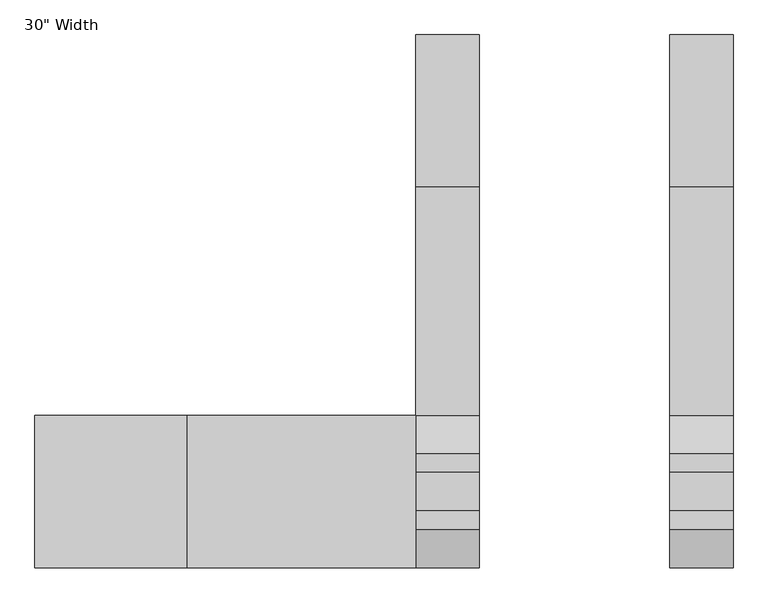
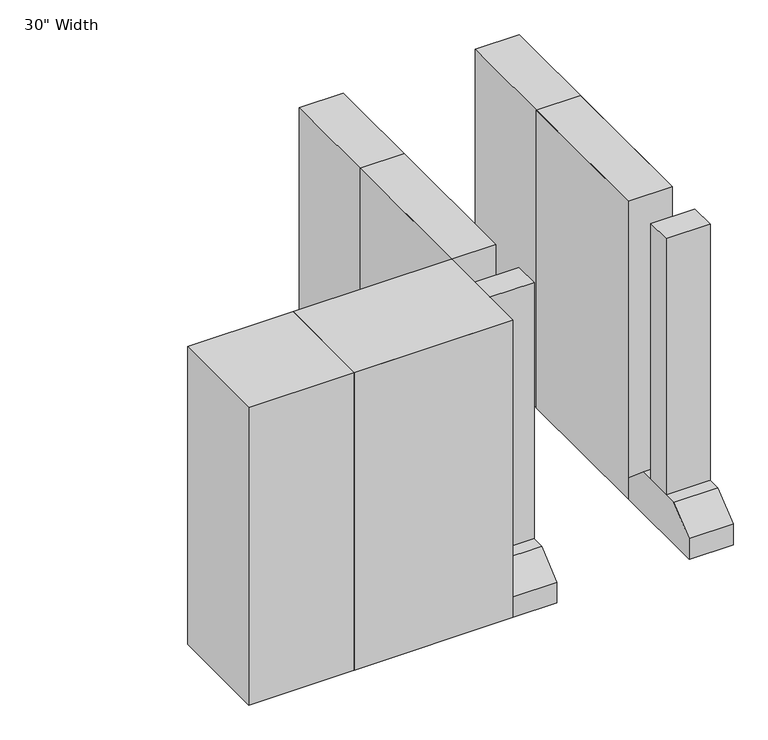
"""IFC4 building model written with IfcOpenShell, lengths in millimetres: proxy geometry."""

import ifcopenshell
import ifcopenshell.guid

model = None  # the IFC model being written
_history = None  # IfcOwnerHistory: only IFC2X3 demands one
_inside = {}  # id of a spatial element -> (the spatial element, [elements in it])
_under = {}  # id of a project, library or spatial element -> (it, [spatial elements below it])
_declared = {}  # id of a project -> (the project, [libraries it declares])
_typed = {}  # id of a type object -> (the type object, [elements of that type])
_made_of = {}  # id of a material, layer set ... -> (it, [elements and type objects made of it])


def new_model(schema):
    """Start an empty IFC model of exactly this schema.

    Asked for "IFC4X3", IfcOpenShell would pick the latest addendum, in which some entities
    have other attributes; the version numbers below select the first issue.
    IFC2X3 requires an IfcOwnerHistory on every rooted entity: one is made here for all.
    """
    global model, _history
    if schema == "IFC4X3":
        model = ifcopenshell.file(schema_version=(4, 3, 0, 0))
    else:
        model = ifcopenshell.file(schema=schema)
    _inside.clear()
    _under.clear()
    _declared.clear()
    _typed.clear()
    _made_of.clear()
    _history = None
    if model.schema == "IFC2X3":
        org = make("IfcOrganization", Name="unknown")
        user = make(
            "IfcPersonAndOrganization",
            ThePerson=make("IfcPerson", FamilyName="unknown"),
            TheOrganization=org,
        )
        app = make(
            "IfcApplication",
            ApplicationDeveloper=org,
            Version="unknown",
            ApplicationFullName="unknown",
            ApplicationIdentifier="unknown",
        )
        _history = make(
            "IfcOwnerHistory",
            OwningUser=user,
            OwningApplication=app,
            ChangeAction="ADDED",
            CreationDate=0,
        )
    return model


def make(cls, **values):
    """One entity of the class cls with the attributes given. An attribute that is None is left unset."""
    return model.create_entity(
        cls, **{name: value for name, value in values.items() if value is not None}
    )


def rooted(cls, **values):
    """An entity with a GlobalId (a new one), such as an element, a storey or a relation."""
    return make(cls, GlobalId=ifcopenshell.guid.new(), OwnerHistory=_history, **values)


def si_unit(unit_type, name, prefix=None):
    """IfcSIUnit, for example si_unit("LENGTHUNIT", "METRE", prefix="MILLI")."""
    return make("IfcSIUnit", UnitType=unit_type, Prefix=prefix, Name=name)


def assignment(units):
    """IfcUnitAssignment: the units of a project."""
    return None if units is None else make("IfcUnitAssignment", Units=units)


def point(xyz):
    """IfcCartesianPoint."""
    return None if xyz is None else make("IfcCartesianPoint", Coordinates=xyz)


def direction(xyz):
    """IfcDirection."""
    return None if xyz is None else make("IfcDirection", DirectionRatios=xyz)


def frame(location, z_axis=None, x_axis=None):
    """IfcAxis2Placement3D, a coordinate frame: its origin and axes. An axis left out is left unset."""
    return make(
        "IfcAxis2Placement3D",
        Location=point(location),
        Axis=direction(z_axis),
        RefDirection=direction(x_axis),
    )


def origin():
    """The frame at (0, 0, 0) with its axes left unset."""
    return frame((0.0, 0.0, 0.0))


def origin_with_axes():
    """The frame at (0, 0, 0) with the z axis (0, 0, 1) and the x axis (1, 0, 0) written out."""
    return frame((0.0, 0.0, 0.0), z_axis=(0.0, 0.0, 1.0), x_axis=(1.0, 0.0, 0.0))


def place(relative_to, where):
    """IfcLocalPlacement: puts the frame where relative to a parent placement (None: the world)."""
    return make(
        "IfcLocalPlacement", PlacementRelTo=relative_to, RelativePlacement=where
    )


def context(
    kind, dimensions, precision=None, world=None, true_north=None, identifier=None
):
    """IfcGeometricRepresentationContext, for example the 3D "Model" context."""
    return make(
        "IfcGeometricRepresentationContext",
        ContextIdentifier=identifier,
        ContextType=kind,
        CoordinateSpaceDimension=dimensions,
        Precision=precision,
        WorldCoordinateSystem=world,
        TrueNorth=true_north,
    )


def project(units=None, contexts=None):
    """IfcProject with its units and contexts."""
    return rooted(
        "IfcProject",
        Name="project",
        RepresentationContexts=contexts,
        UnitsInContext=assignment(units),
    )


def spatial(cls, under=None, at=None, **own):
    """A site, building, storey or space (cls), placed at a placement, below another one or the project."""
    s = rooted(cls, ObjectPlacement=at, **own)
    if under is not None:
        _under.setdefault(under.id(), (under, []))[1].append(s)
    return s


def polyline(points):
    """IfcPolyline through the points."""
    return make("IfcPolyline", Points=[point(p) for p in points])


def outline(outer, holes=None, kind="AREA"):
    """IfcArbitraryClosedProfileDef: a profile drawn as a closed curve; with holes, ...WithVoids."""
    if holes is None:
        return make("IfcArbitraryClosedProfileDef", ProfileType=kind, OuterCurve=outer)
    return make(
        "IfcArbitraryProfileDefWithVoids",
        ProfileType=kind,
        OuterCurve=outer,
        InnerCurves=holes,
    )


def extrude(swept, where, along, depth):
    """IfcExtrudedAreaSolid: the profile swept, set in the frame where, extruded along a direction by depth."""
    return make(
        "IfcExtrudedAreaSolid",
        SweptArea=swept,
        Position=where,
        ExtrudedDirection=direction(along),
        Depth=depth,
    )


def shape(context_of_items, identifier, shape_type, items):
    """IfcShapeRepresentation: the items that make up one representation, for example the "Body"."""
    return make(
        "IfcShapeRepresentation",
        ContextOfItems=context_of_items,
        RepresentationIdentifier=identifier,
        RepresentationType=shape_type,
        Items=items,
    )


def source(mapping_origin, context_of_items, identifier, shape_type, items):
    """IfcRepresentationMap: a shape defined once, which mapped items show again and again."""
    return make(
        "IfcRepresentationMap",
        MappingOrigin=mapping_origin,
        MappedRepresentation=shape(context_of_items, identifier, shape_type, items),
    )


def transform(
    local_origin,
    x_axis=None,
    y_axis=None,
    z_axis=None,
    scale=None,
    scale2=None,
    scale3=None,
    uniform=True,
):
    """IfcCartesianTransformationOperator3D, or its non-uniform kind. x_axis, y_axis, z_axis: its Axis1, 2, 3."""
    if uniform:
        return make(
            "IfcCartesianTransformationOperator3D",
            Axis1=direction(x_axis),
            Axis2=direction(y_axis),
            LocalOrigin=point(local_origin),
            Scale=scale,
            Axis3=direction(z_axis),
        )
    return make(
        "IfcCartesianTransformationOperator3DnonUniform",
        Axis1=direction(x_axis),
        Axis2=direction(y_axis),
        LocalOrigin=point(local_origin),
        Scale=scale,
        Axis3=direction(z_axis),
        Scale2=scale2,
        Scale3=scale3,
    )


def mapped(mapping_source, mapping_target):
    """IfcMappedItem: shows the shape of a source again, moved by a transform."""
    return make(
        "IfcMappedItem", MappingSource=mapping_source, MappingTarget=mapping_target
    )


def made_of(thing, what):
    """Note that an element or type object is made of a material, layer set ...; save() writes the relation."""
    if what is not None:
        _made_of.setdefault(what.id(), (what, []))[1].append(thing)
    return thing


def element(
    cls,
    number,
    at=None,
    inside=None,
    cuts=None,
    type_object=None,
    material=None,
    context=None,
    identifier="Body",
    shape_type=None,
    held_by="IfcProductDefinitionShape",
    body=None,
    shapes=None,
    **own,
):
    """One element of the class cls, such as IfcWall. Its Tag is "e" and its number.

    at: its placement. inside: the storey or other place that contains it. cuts: it is an
    opening in that element (IfcRelVoidsElement). A single representation is given by context,
    identifier, shape_type and body (its items); several are given by shapes. held_by: the class
    of the entity that holds the representations. save() writes the other relations.
    """
    e = rooted(cls, Tag="e%d" % number, ObjectPlacement=at, **own)
    if body is not None:
        shapes = [shape(context, identifier, shape_type, body)]
    if shapes is not None:
        e.Representation = make(held_by, Representations=shapes)
    if inside is not None:
        _inside.setdefault(inside.id(), (inside, []))[1].append(e)
    if cuts is not None:
        rooted(
            "IfcRelVoidsElement", RelatingBuildingElement=cuts, RelatedOpeningElement=e
        )
    if type_object is not None:
        _typed.setdefault(type_object.id(), (type_object, []))[1].append(e)
    return made_of(e, material)


def aggregate(whole, parts):
    """IfcRelAggregates: a whole, such as a stair, and the parts it consists of."""
    return rooted("IfcRelAggregates", RelatingObject=whole, RelatedObjects=parts)


def save(model, path):
    """Write the relations noted so far, then the file.

    IfcRelAggregates (storeys below a building ...), IfcRelContainedInSpatialStructure (elements
    in a storey), IfcRelDefinesByType, IfcRelAssociatesMaterial and IfcRelDeclares: one each for
    every whole, place, type object, material and project.
    """
    for whole, parts in _under.values():
        aggregate(whole, parts)
    for where, things in _inside.values():
        rooted(
            "IfcRelContainedInSpatialStructure",
            RelatedElements=things,
            RelatingStructure=where,
        )
    for kind, things in _typed.values():
        rooted("IfcRelDefinesByType", RelatedObjects=things, RelatingType=kind)
    for what, things in _made_of.values():
        rooted("IfcRelAssociatesMaterial", RelatedObjects=things, RelatingMaterial=what)
    for by, libraries in _declared.values():
        rooted("IfcRelDeclares", RelatingContext=by, RelatedDefinitions=libraries)
    model.write(path)


def proxy_0485f5dd(model_context):
    return source(origin(), model_context, "Body", "SweptSolid", [
        extrude(outline(polyline([(381.0, 1219.2), (635.0, 1219.2), (635.0, 304.8), (381.0, 304.8), (381.0, 1219.2)])), origin_with_axes(), (0.0, 0.0, 1.0), 1816.1),
        extrude(outline(polyline([(-381.0, 1219.2), (-381.0, 304.8), (-635.0, 304.8), (-635.0, 1219.2), (-381.0, 1219.2)])), origin_with_axes(), (0.0, 0.0, 1.0), 1816.1),
        extrude(outline(polyline([(-1549.4, 304.8), (-635.0, 304.8), (-635.0, -304.8), (-1549.4, -304.8), (-1549.4, 304.8)])), origin_with_axes(), (0.0, 0.0, 1.0), 1816.1),
        extrude(outline(polyline([(-2159.0, 304.8), (-635.0, 304.8), (-635.0, -304.8), (-2159.0, -304.8), (-2159.0, 304.8)])), origin_with_axes(), (0.0, 0.0, 1.0), 1816.1),
        extrude(outline(polyline([(381.0, 1828.8), (635.0, 1828.8), (635.0, 304.8), (381.0, 304.8), (381.0, 1828.8)])), origin_with_axes(), (0.0, 0.0, 1.0), 1816.1),
        extrude(outline(polyline([(-381.0, 1828.8), (-381.0, 304.8), (-635.0, 304.8), (-635.0, 1828.8), (-381.0, 1828.8)])), origin_with_axes(), (0.0, 0.0, 1.0), 1816.1),
        extrude(outline(polyline([(-381.0, 76.2), (-381.0, -76.2), (-635.0, -76.2), (-635.0, 76.2), (-381.0, 76.2)])), frame((0.0, 0.0, 254.0), z_axis=(0.0, 0.0, 1.0), x_axis=(1.0, 0.0, 0.0)), (0.0, 0.0, 1.0), 1562.1),
        extrude(outline(polyline([(-153.4472937, 254.0), (153.4472937, 254.0), (304.8, 127.0), (304.8, 0.0), (-304.8, 0.0), (-304.8, 127.0), (-153.4472937, 254.0)])), frame((-635.0, 0.0, 0.0), z_axis=(1.0, 0.0, 0.0), x_axis=(0.0, 1.0, 0.0)), (0.0, 0.0, 1.0), 254.0),
        extrude(outline(polyline([(-153.4472937, 254.0), (153.4472937, 254.0), (304.8, 127.0), (304.8, 0.0), (-304.8, 0.0), (-304.8, 127.0), (-153.4472937, 254.0)])), frame((381.0, 0.0, 0.0), z_axis=(1.0, 0.0, 0.0), x_axis=(0.0, 1.0, 0.0)), (0.0, 0.0, 1.0), 254.0),
        extrude(outline(polyline([(381.0, 76.2), (635.0, 76.2), (635.0, -76.2), (381.0, -76.2), (381.0, 76.2)])), frame((0.0, 0.0, 254.0), z_axis=(0.0, 0.0, 1.0), x_axis=(1.0, 0.0, 0.0)), (0.0, 0.0, 1.0), 1562.1),
    ])


if __name__ == "__main__":
    model = new_model("IFC4")
    model_context = context("Model", 3, world=origin())
    ifc_project = project(units=[si_unit("LENGTHUNIT", "METRE", prefix="MILLI")], contexts=[model_context])
    site = spatial("IfcSite", under=ifc_project)
    building = spatial("IfcBuilding", under=site)
    placement = place(None, origin())
    proxy_shape = proxy_0485f5dd(model_context)
    element("IfcBuildingElementProxy", 1, Name="30\" Width", ObjectType="30\" Width", at=placement, inside=building, context=model_context, shape_type="MappedRepresentation", body=[
        mapped(proxy_shape, transform((0.0, 0.0, 0.0), x_axis=(1.0, 0.0, 0.0), y_axis=(0.0, 1.0, 0.0), z_axis=(0.0, 0.0, 1.0))),
    ])
    save(model, "model.ifc")
